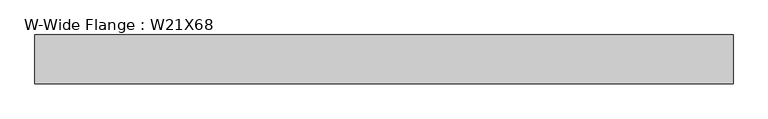
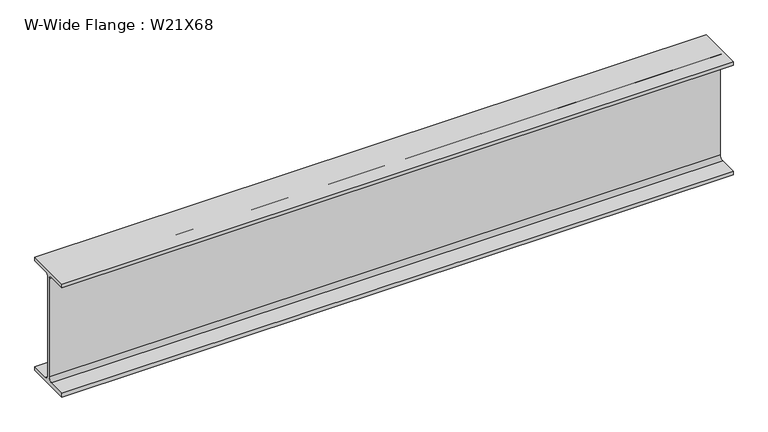
"""IFC4 building model written with IfcOpenShell, lengths in millimetres: beam geometry, W-Wide Flange : W21X68."""

from ifc_helpers import new_model, si_unit, point, frame, frame_2d, origin, place, context, project, spatial, polyline, circle_curve, trimmed, segment, composite_curve, outline, extrude, source, transform, mapped, element, save


def w_wide_flange_w21x68_43ab2bbd(model_context):
    return source(origin(), model_context, "Body", "SweptSolid", [
        extrude(outline(composite_curve([segment(polyline([(105.029, -250.571), (105.029, -267.97), (-105.029, -267.97), (-105.029, -250.571), (-22.987, -250.571)]), True, "CONTINUOUS"), segment(trimmed(circle_curve(frame_2d((-22.987, -233.045)), 17.526), [point((-22.987, -250.571))], [point((-5.461, -233.045))], True, "CARTESIAN"), True, "CONTINUOUS"), segment(polyline([(-5.461, -233.045), (-5.461, 233.045)]), True, "CONTINUOUS"), segment(trimmed(circle_curve(frame_2d((-22.987, 233.045)), 17.526), [point((-5.461, 233.045))], [point((-22.987, 250.571))], True, "CARTESIAN"), True, "CONTINUOUS"), segment(polyline([(-22.987, 250.571), (-105.029, 250.571), (-105.029, 267.97), (105.029, 267.97), (105.029, 250.571), (22.987, 250.571)]), True, "CONTINUOUS"), segment(trimmed(circle_curve(frame_2d((22.987, 233.045)), 17.526), [point((22.987, 250.571))], [point((5.461, 233.045))], True, "CARTESIAN"), True, "CONTINUOUS"), segment(polyline([(5.461, 233.045), (5.461, -233.045)]), True, "CONTINUOUS"), segment(trimmed(circle_curve(frame_2d((22.987, -233.045)), 17.526), [point((5.461, -233.045))], [point((22.987, -250.571))], True, "CARTESIAN"), True, "CONTINUOUS"), segment(polyline([(22.987, -250.571), (105.029, -250.571)]), True, "CONTINUOUS")], self_intersect=False)), frame((-1333.5, 0.0, 0.0), z_axis=(1.0, 0.0, 0.0), x_axis=(0.0, 1.0, 0.0)), (0.0, 0.0, 1.0), 3009.9),
    ])


if __name__ == "__main__":
    model = new_model("IFC4")
    model_context = context("Model", 3, world=origin())
    ifc_project = project(units=[si_unit("LENGTHUNIT", "METRE", prefix="MILLI")], contexts=[model_context])
    site = spatial("IfcSite", under=ifc_project)
    building = spatial("IfcBuilding", under=site)
    placement = place(None, origin())
    w_wide_flange_w21x68_shape = w_wide_flange_w21x68_43ab2bbd(model_context)
    element("IfcBeam", 1, ObjectType="W-Wide Flange : W21X68", at=placement, inside=building, context=model_context, shape_type="MappedRepresentation", body=[
        mapped(w_wide_flange_w21x68_shape, transform((0.0, 0.0, 0.0), x_axis=(1.0, 0.0, 0.0), y_axis=(0.0, 1.0, 0.0), z_axis=(0.0, 0.0, 1.0))),
    ])
    save(model, "model.ifc")
